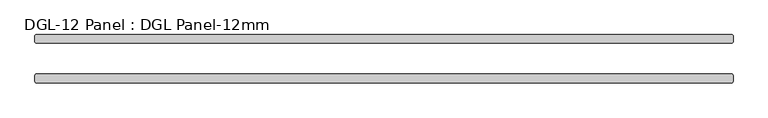
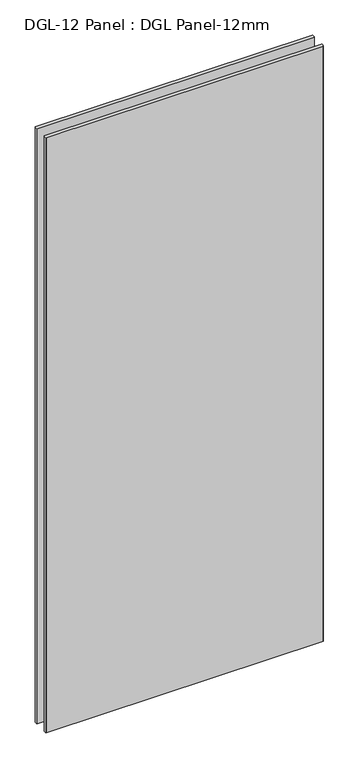
"""IFC4 building model written with IfcOpenShell, lengths in millimetres: plate geometry, DGL-12 Panel : DGL Panel-12mm."""

from ifc_helpers import new_model, si_unit, origin, origin_with_axes, place, context, project, spatial, polyline, outline, extrude, source, transform, mapped, element, save


def dgl_12_panel_dgl_panel_12mm_18cb68aa(model_context):
    return source(origin(), model_context, "Body", "SweptSolid", [
        extrude(outline(polyline([(514.7486451, -22.9195313), (516.3361451, -24.5070313), (516.3361451, -34.0320313), (514.7486451, -35.6195313), (-514.7486451, -35.6195313), (-516.3361451, -34.0320313), (-516.3361451, -24.5070313), (-514.7486451, -22.9195313), (514.7486451, -22.9195313)])), origin_with_axes(), (0.0, 0.0, 1.0), 2339.4622278),
        extrude(outline(polyline([(514.7486451, 35.6195312), (516.3361451, 34.0320312), (516.3361451, 24.5070312), (514.7486451, 22.9195312), (-514.7486451, 22.9195312), (-516.3361451, 24.5070312), (-516.3361451, 34.0320312), (-514.7486451, 35.6195312), (514.7486451, 35.6195312)])), origin_with_axes(), (0.0, 0.0, 1.0), 2339.4622278),
    ])


if __name__ == "__main__":
    model = new_model("IFC4")
    model_context = context("Model", 3, world=origin())
    ifc_project = project(units=[si_unit("LENGTHUNIT", "METRE", prefix="MILLI")], contexts=[model_context])
    site = spatial("IfcSite", under=ifc_project)
    building = spatial("IfcBuilding", under=site)
    placement = place(None, origin())
    dgl_12_panel_dgl_panel_12mm_shape = dgl_12_panel_dgl_panel_12mm_18cb68aa(model_context)
    element("IfcPlate", 1, ObjectType="DGL-12 Panel : DGL Panel-12mm", at=placement, inside=building, context=model_context, shape_type="MappedRepresentation", body=[
        mapped(dgl_12_panel_dgl_panel_12mm_shape, transform((0.0, 0.0, 0.0), x_axis=(1.0, 0.0, 0.0), y_axis=(0.0, 1.0, 0.0), z_axis=(0.0, 0.0, 1.0))),
    ])
    save(model, "model.ifc")
